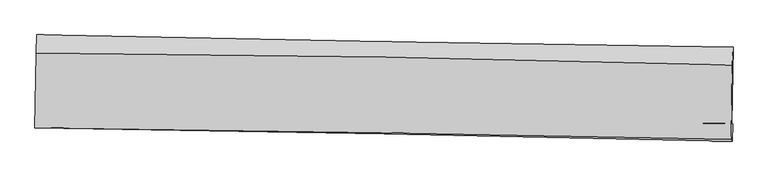
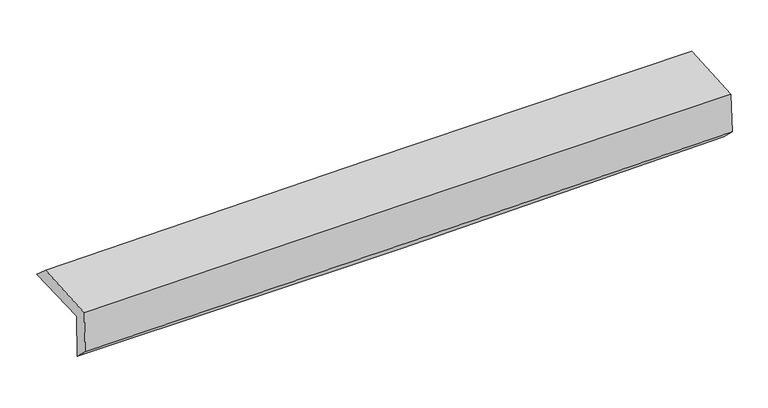
"""IFC4 building model written with IfcOpenShell, lengths in millimetres: proxy geometry."""

from ifc_helpers import new_model, si_unit, frame, origin, place, context, project, spatial, source, transform, mapped, element, save
from ifc_brep_helpers import plane_surface, spline_curve, spline_surface, advanced_brep


def generic_models_c5980699(model_context):
    return source(origin(), model_context, "Body", "AdvancedBrep", [
        advanced_brep(
        [(-3025.5632099, -1752.4135197, 1969.4862584), (-3014.1819623, -1081.6778632, 1976.8865236), (3013.3880575, -1189.5368561, 2110.6499316), (3002.1077698, -1849.0989147, 2106.9757488), (-3015.3097301, -1743.6758207, 1558.8391232), (3011.9181521, -1855.4974172, 1703.7325417), (-3020.995885, -1884.5571843, 1691.241489), (3005.8348253, -2004.523633, 1846.5712183), (-3030.7217596, -1887.6222331, 2084.4182642), (2997.0504889, -1991.2469848, 2212.9288409), (-3020.20469, -1239.6228698, 2111.0123079), (3007.3442003, -1343.9487847, 2248.1103233)],
        [
            (0, 1),
            (1, 2, spline_curve(3, [(-3014.1819623, -1081.6778632, 1976.8865236), (-2009.370368522, -1102.308735778, 1988.357268121), (-1004.665110659, -1121.612451367, 2005.239655651), (1004.52489418, -1157.565428362, 2049.827542589), (2009.00964313, -1174.214710529, 2077.532957719), (3013.3880575, -1189.5368561, 2110.6499316)], [4, 2, 4], [0.0, 9.891931856400339, 19.783786526119282])),
            (2, 3),
            (3, 0, spline_curve(3, [(3002.1077698, -1849.0989147, 2106.9757488), (1997.57573163, -1838.265987555, 2076.957305081), (993.005757214, -1824.792449415, 2050.490656676), (-1016.217901825, -1792.564025445, 2004.660771318), (-2020.87158778, -1773.809098622, 1985.297589544), (-3025.5632099, -1752.4135197, 1969.4862584)], [4, 2, 4], [0.0, 9.891854669718944, 19.783786526119282])),
            (4, 0),
            (3, 5),
            (5, 4, spline_curve(3, [(3011.9181521, -1855.4974172, 1703.7325417), (2007.770459341, -1836.957668518, 1663.492191167), (1003.42958327, -1818.369364011, 1631.297580003), (-1005.646374704, -1781.095499565, 1582.999648562), (-2010.381459232, -1762.409938211, 1566.896453246), (-3015.3097301, -1743.6758207, 1558.8391232)], [4, 2, 4], [0.0, 9.891873359281217, 19.783823905389667])),
            (6, 4),
            (5, 7),
            (7, 6, spline_curve(3, [(3005.8348253, -2004.523633, 1846.5712183), (2001.456811667, -1983.919256017, 1817.139420186), (997.033871753, -1963.619901378, 1789.479420493), (-1011.909697671, -1923.631080205, 1737.7028167), (-2016.430327849, -1903.941618785, 1713.586239659), (-3020.995885, -1884.5571843, 1691.241489)], [4, 2, 4], [0.0, 9.891831310014123, 19.783739806527365])),
            (8, 6),
            (7, 9),
            (9, 8, spline_curve(3, [(2997.0504889, -1991.2469848, 2212.9288409), (1992.532498294, -1968.682984932, 2190.559821489), (987.961108761, -1948.765612131, 2168.666137048), (-1021.296306303, -1914.223986905, 2125.829270823), (-2025.982333319, -1899.599775609, 2104.886096342), (-3030.7217596, -1887.6222331, 2084.4182642)], [4, 2, 4], [0.0, 9.891727522390383, 19.783532230470026])),
            (10, 8),
            (9, 11),
            (11, 10, spline_curve(3, [(3007.3442003, -1343.9487847, 2248.1103233), (2003.01767609, -1316.174960953, 2221.60954582), (998.56063347, -1293.594236549, 2196.934359648), (-1010.622327721, -1258.818850574, 2151.234992856), (-2015.348248674, -1246.624269871, 2130.210840364), (-3020.20469, -1239.6228698, 2111.0123079)], [4, 2, 4], [0.0, 9.891822770871881, 19.78372272817625])),
            (1, 10),
            (11, 2),
        ],
        [
            spline_surface(3, 3, [[(-3025.5632099, -1752.4135197, 1969.4862584), (-2020.871587664, -1773.809098659, 1985.297589519), (-1016.217901966, -1792.564025549, 2004.660771213), (993.005757355, -1824.792449312, 2050.490656781), (1997.575731531, -1838.265987476, 2076.957305211), (3002.1077698, -1849.0989147, 2106.9757488)], [(-3021.769460694, -1528.834967522, 1971.95301348), (-2017.037847942, -1549.975644365, 1986.317482379), (-1012.36697153, -1568.913500837, 2004.853732688), (996.845469663, -1602.38344232, 2050.26961877), (2001.387035353, -1616.915561788, 2077.149189423), (3005.86786569, -1629.244895181, 2108.200476397)], [(-3017.975711506, -1305.256415378, 1974.41976852), (-2013.204108239, -1326.142190106, 1987.3373752), (-1008.516041144, -1345.262976115, 2005.04669409), (1000.685181921, -1379.974435317, 2050.048580686), (2005.198339205, -1395.565136056, 2077.341073646), (3009.62796161, -1409.390875619, 2109.425204003)], [(-3014.1819623, -1081.6778632, 1976.8865236), (-2009.370368518, -1102.308735812, 1988.35726806), (-1004.665110708, -1121.612451404, 2005.239655565), (1004.524894229, -1157.565428325, 2049.827542675), (2009.009643026, -1174.214710368, 2077.532957858), (3013.3880575, -1189.5368561, 2110.6499316)]], [4, 4], [4, 2, 4], [0.0, 2.195501159731854], [0.0, 9.891931856400339, 19.783786526119282]),
            spline_surface(3, 3, [[(-3015.3097301, -1743.6758207, 1558.8391232), (-2010.381459068, -1762.409938155, 1566.896453346), (-1005.646374577, -1781.095499426, 1582.999648422), (1003.429583143, -1818.36936415, 1631.297580143), (2007.770459383, -1836.957668415, 1663.492191252), (3011.9181521, -1855.4974172, 1703.7325417)], [(-3018.727556692, -1746.588387032, 1695.721501595), (-2013.878168592, -1766.209658322, 1706.363498732), (-1009.170217052, -1784.918341457, 1723.553355988), (999.954974534, -1820.510392527, 1771.028605658), (2004.372216785, -1837.393774759, 1801.313895914), (3008.648024686, -1853.364583024, 1838.146944076)], [(-3022.145383308, -1749.500953368, 1832.603880005), (-2017.374878139, -1770.009378492, 1845.830544133), (-1012.69405949, -1788.741183518, 1864.107063647), (996.480365964, -1822.651420935, 1910.759631266), (2000.973974129, -1837.829881132, 1939.135600549), (3005.377897214, -1851.231748876, 1972.561346424)], [(-3025.5632099, -1752.4135197, 1969.4862584), (-2020.871587664, -1773.809098659, 1985.297589519), (-1016.217901966, -1792.564025549, 2004.660771213), (993.005757355, -1824.792449312, 2050.490656781), (1997.575731531, -1838.265987476, 2076.957305211), (3002.1077698, -1849.0989147, 2106.9757488)]], [4, 4], [4, 2, 4], [0.0, 1.3800960678111764], [0.0, 9.89195054610845, 19.783823905389667]),
            spline_surface(3, 3, [[(-3020.995885, -1884.5571843, 1691.241489), (-2016.43032798, -1903.94161881, 1713.586239689), (-1011.909697658, -1923.631080303, 1737.70281656), (997.03387174, -1963.61990128, 1789.479420633), (2001.45681152, -1983.919256054, 1817.139420218), (3005.8348253, -2004.523633, 1846.5712183)], [(-3019.100500034, -1837.59672978, 1647.107367064), (-2014.414038343, -1856.764391938, 1664.689644239), (-1009.821923282, -1876.119220018, 1686.135093859), (999.165775556, -1915.203055577, 1736.752140481), (2003.561360809, -1934.932060186, 1765.923677228), (3007.862600902, -1954.848227745, 1798.958326099)], [(-3017.205115066, -1790.63627522, 1602.973245136), (-2012.397748704, -1809.587165027, 1615.793048796), (-1007.734148952, -1828.607359711, 1634.567371123), (1001.297679327, -1866.786209853, 1684.024860295), (2005.665910094, -1885.944864284, 1714.707934241), (3009.890376498, -1905.172822455, 1751.345433901)], [(-3015.3097301, -1743.6758207, 1558.8391232), (-2010.381459068, -1762.409938155, 1566.896453346), (-1005.646374577, -1781.095499426, 1582.999648422), (1003.429583143, -1818.36936415, 1631.297580143), (2007.770459383, -1836.957668415, 1663.492191252), (3011.9181521, -1855.4974172, 1703.7325417)]], [4, 4], [4, 2, 4], [0.0, 0.697666766294299], [0.0, 9.891908496513242, 19.783739806527365]),
            spline_surface(3, 3, [[(-3030.7217596, -1887.6222331, 2084.4182642), (-2025.982333239, -1899.599775683, 2104.886096304), (-1021.296306438, -1914.223986914, 2125.829270784), (987.961108896, -1948.765612122, 2168.666137088), (1992.532498261, -1968.682984782, 2190.559821537), (2997.0504889, -1991.2469848, 2212.9288409)], [(-3027.479801416, -1886.600550185, 1953.359339128), (-2022.798331502, -1901.047056744, 1974.45281076), (-1018.167436855, -1917.359684714, 1996.453786058), (990.985363167, -1953.717041845, 2042.270564951), (1995.50726933, -1973.76174187, 2066.086354428), (2999.978601016, -1995.672534197, 2090.809633364)], [(-3024.237843184, -1885.578867215, 1822.300414072), (-2019.614329717, -1902.494337749, 1844.019525233), (-1015.038567241, -1920.495382502, 1867.078301286), (994.009617469, -1958.668471556, 1915.874992769), (1998.482040451, -1978.840498966, 1941.612887326), (3002.906713184, -2000.098083603, 1968.690425836)], [(-3020.995885, -1884.5571843, 1691.241489), (-2016.43032798, -1903.94161881, 1713.586239689), (-1011.909697658, -1923.631080303, 1737.70281656), (997.03387174, -1963.61990128, 1789.479420633), (2001.45681152, -1983.919256054, 1817.139420218), (3005.8348253, -2004.523633, 1846.5712183)]], [4, 4], [4, 2, 4], [0.0, 1.259708982764566], [0.0, 9.891804708079643, 19.783532230470026]),
            spline_surface(3, 3, [[(-3020.20469, -1239.6228698, 2111.0123079), (-2015.348248587, -1246.624269996, 2130.210840228), (-1010.622327824, -1258.818850554, 2151.234992775), (998.560633572, -1293.594236569, 2196.934359728), (2003.017676243, -1316.174960969, 2221.609545656), (3007.3442003, -1343.9487847, 2248.1103233)], [(-3023.710379861, -1455.622657539, 2102.147626668), (-2018.892943465, -1464.282771864, 2121.769258921), (-1014.180320692, -1477.287229343, 2142.76641878), (995.027458683, -1511.98469509, 2187.51161885), (1999.522616921, -1533.677635546, 2211.259637607), (3003.912963172, -1559.714851373, 2236.383162491)], [(-3027.216069739, -1671.622445361, 2093.282945432), (-2022.43763836, -1681.941273815, 2113.327677611), (-1017.73831357, -1695.755608124, 2134.297844779), (991.494283785, -1730.375153602, 2178.088877966), (1996.027557583, -1751.180310205, 2200.909729586), (3000.481726028, -1775.480918127, 2224.656001709)], [(-3030.7217596, -1887.6222331, 2084.4182642), (-2025.982333239, -1899.599775683, 2104.886096304), (-1021.296306438, -1914.223986914, 2125.829270784), (987.961108896, -1948.765612122, 2168.666137088), (1992.532498261, -1968.682984782, 2190.559821537), (2997.0504889, -1991.2469848, 2212.9288409)]], [4, 4], [4, 2, 4], [0.0, 2.1519810490786995], [0.0, 9.89189995730437, 19.78372272817625]),
            spline_surface(3, 3, [[(-3014.1819623, -1081.6778632, 1976.8865236), (-2009.370368518, -1102.308735812, 1988.35726806), (-1004.665110708, -1121.612451404, 2005.239655565), (1004.524894229, -1157.565428325, 2049.827542675), (2009.009643026, -1174.214710368, 2077.532957858), (3013.3880575, -1189.5368561, 2110.6499316)], [(-3016.189538202, -1134.326198742, 2021.595118366), (-2011.362995209, -1150.413913882, 2035.641792116), (-1006.650849759, -1167.34791778, 2053.904767947), (1002.536807332, -1202.908364399, 2098.863148337), (2007.012320766, -1221.534793916, 2125.55848713), (3011.373438434, -1241.007498981, 2156.470062173)], [(-3018.197114098, -1186.974534258, 2066.303713134), (-2013.355621895, -1198.519091926, 2082.926316173), (-1008.636588773, -1213.083384178, 2102.569880394), (1000.54872047, -1248.251300495, 2147.898754065), (2005.014998503, -1268.854877422, 2173.584016384), (3009.358819366, -1292.478141819, 2202.290192727)], [(-3020.20469, -1239.6228698, 2111.0123079), (-2015.348248587, -1246.624269996, 2130.210840228), (-1010.622327824, -1258.818850554, 2151.234992775), (998.560633572, -1293.594236569, 2196.934359728), (2003.017676243, -1316.174960969, 2221.609545656), (3007.3442003, -1343.9487847, 2248.1103233)]], [4, 4], [4, 2, 4], [0.0, 0.6576191156552963], [0.0, 9.891891324106664, 19.783705461848207]),
            plane_surface(frame((3006.2739156, -1705.6420984, 2038.1614341), z_axis=(0.9995490654264588, -0.017231969695811443, 0.02459115746554958), x_axis=(0.023954884844168713, -0.0362054190505016, -0.9990572211457561))),
            plane_surface(frame((-3021.1628728, -1598.2615818, 1898.6473277), z_axis=(-0.9995490654264466, 0.017231969695927885, -0.024591157465968204), x_axis=(-0.01696483115027437, -0.9997952370292528, -0.011030798595889743))),
        ],
        [
            (0, [[1, 2, 3, 4]]),
            (1, [[5, -4, 6, 7]]),
            (2, [[8, -7, 9, 10]]),
            (3, [[11, -10, 12, 13]]),
            (4, [[14, -13, 15, 16]]),
            (5, [[17, -16, 18, -2]]),
            (6, [[-12, -9, -6, -3, -18, -15]]),
            (7, [[-1, -5, -8, -11, -14, -17]]),
        ],
    ),
    ])


if __name__ == "__main__":
    model = new_model("IFC4")
    model_context = context("Model", 3, world=origin())
    ifc_project = project(units=[si_unit("LENGTHUNIT", "METRE", prefix="MILLI")], contexts=[model_context])
    site = spatial("IfcSite", under=ifc_project)
    building = spatial("IfcBuilding", under=site)
    placement = place(None, origin())
    generic_models_shape = generic_models_c5980699(model_context)
    element("IfcBuildingElementProxy", 1, Name="Generic Models", at=placement, inside=building, context=model_context, shape_type="MappedRepresentation", body=[
        mapped(generic_models_shape, transform((0.0, 0.0, 0.0), x_axis=(1.0, 0.0, 0.0), y_axis=(0.0, 1.0, 0.0), z_axis=(0.0, 0.0, 1.0))),
    ])
    save(model, "model.ifc")
